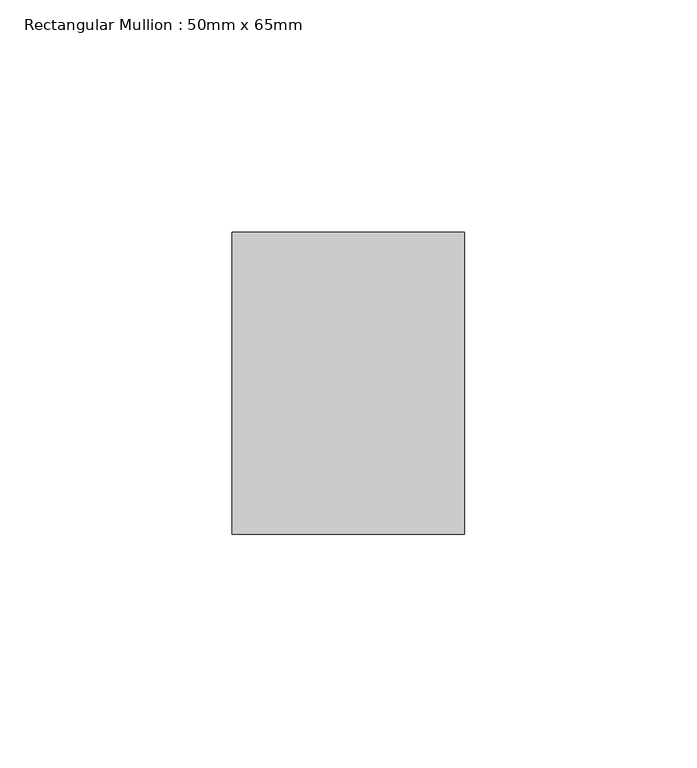
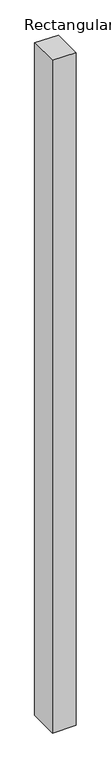
"""IFC4 building model written with IfcOpenShell, lengths in millimetres: member geometry, Rectangular Mullion : 50mm x 65mm."""

from ifc_helpers import new_model, si_unit, origin, place, context, project, spatial, faceted_brep, source, transform, mapped, element, save


def rectangular_mullion_50mm_x_65mm_e5ba3527(model_context):
    return source(origin(), model_context, "Body", "Brep", [
        faceted_brep([(-25.0, 32.5, -0.1835711), (25.0, 32.5, -0.1835722), (25.0, 32.5, -1499.7336118), (-25.0, 32.5, -1499.7336134), (-25.0, -32.5, 0.1835722), (-25.0, -32.5, -1500.2665082), (25.0, -32.5, 0.1835711), (25.0, -32.5, -1500.2665066)], [[[0, 1, 2, 3]], [[4, 0, 3, 5]], [[6, 4, 5, 7]], [[1, 6, 7, 2]], [[1, 0, 4, 6]], [[2, 7, 5, 3]]]),
    ])


if __name__ == "__main__":
    model = new_model("IFC4")
    model_context = context("Model", 3, world=origin())
    ifc_project = project(units=[si_unit("LENGTHUNIT", "METRE", prefix="MILLI")], contexts=[model_context])
    site = spatial("IfcSite", under=ifc_project)
    building = spatial("IfcBuilding", under=site)
    placement = place(None, origin())
    rectangular_mullion_50mm_x_65mm_shape = rectangular_mullion_50mm_x_65mm_e5ba3527(model_context)
    element("IfcMember", 1, ObjectType="Rectangular Mullion : 50mm x 65mm", at=placement, inside=building, context=model_context, shape_type="MappedRepresentation", body=[
        mapped(rectangular_mullion_50mm_x_65mm_shape, transform((0.0, 0.0, 0.0), x_axis=(1.0, 0.0, 0.0), y_axis=(0.0, 1.0, 0.0), z_axis=(0.0, 0.0, 1.0))),
    ])
    save(model, "model.ifc")
